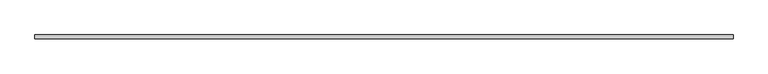
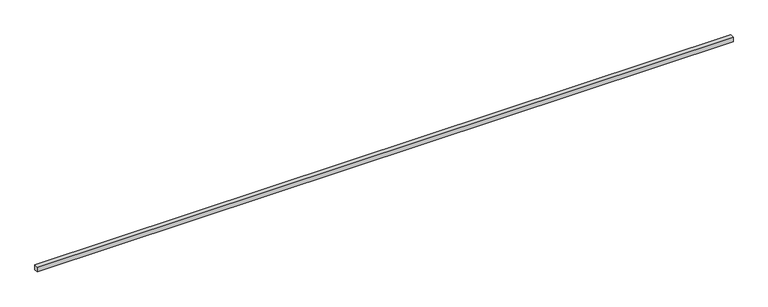
"""IFC4 building model written with IfcOpenShell, lengths in millimetres: proxy geometry."""

from ifc_helpers import new_model, si_unit, origin, origin_with_axes, place, context, project, spatial, polyline, outline, extrude, source, transform, mapped, element, save


def generic_models_5d934660(model_context):
    return source(origin(), model_context, "Body", "SweptSolid", [
        extrude(outline(polyline([(14135.0, -40.0), (0.0, -40.0), (0.0, 40.0), (14135.0, 40.0), (14135.0, -40.0)])), origin_with_axes(), (0.0, 0.0, 1.0), 100.0),
    ])


if __name__ == "__main__":
    model = new_model("IFC4")
    model_context = context("Model", 3, world=origin())
    ifc_project = project(units=[si_unit("LENGTHUNIT", "METRE", prefix="MILLI")], contexts=[model_context])
    site = spatial("IfcSite", under=ifc_project)
    building = spatial("IfcBuilding", under=site)
    placement = place(None, origin())
    generic_models_shape = generic_models_5d934660(model_context)
    element("IfcBuildingElementProxy", 1, Name="Generic Models", at=placement, inside=building, context=model_context, shape_type="MappedRepresentation", body=[
        mapped(generic_models_shape, transform((0.0, 0.0, 0.0), x_axis=(1.0, 0.0, 0.0), y_axis=(0.0, 1.0, 0.0), z_axis=(0.0, 0.0, 1.0))),
    ])
    save(model, "model.ifc")
